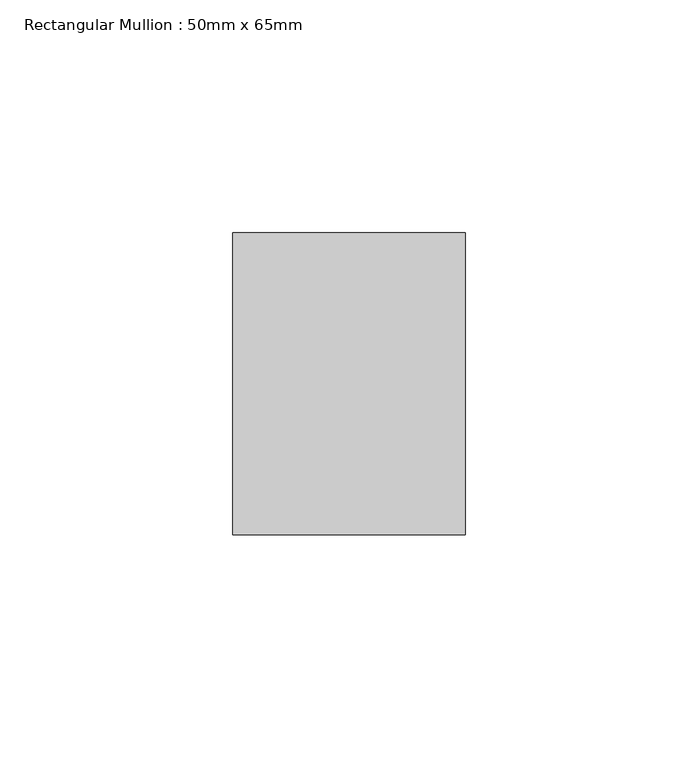
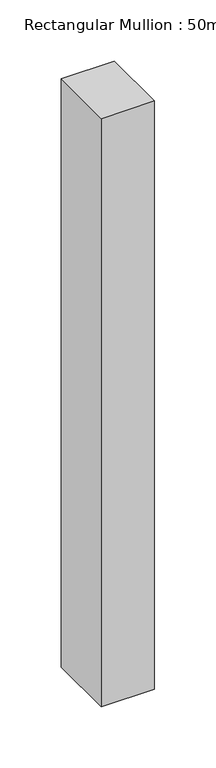
"""IFC4 building model written with IfcOpenShell, lengths in millimetres: member geometry, Rectangular Mullion : 50mm x 65mm."""

import ifcopenshell
import ifcopenshell.guid

model = None  # the IFC model being written
_history = None  # IfcOwnerHistory: only IFC2X3 demands one
_inside = {}  # id of a spatial element -> (the spatial element, [elements in it])
_under = {}  # id of a project, library or spatial element -> (it, [spatial elements below it])
_declared = {}  # id of a project -> (the project, [libraries it declares])
_typed = {}  # id of a type object -> (the type object, [elements of that type])
_made_of = {}  # id of a material, layer set ... -> (it, [elements and type objects made of it])


def new_model(schema):
    """Start an empty IFC model of exactly this schema.

    Asked for "IFC4X3", IfcOpenShell would pick the latest addendum, in which some entities
    have other attributes; the version numbers below select the first issue.
    IFC2X3 requires an IfcOwnerHistory on every rooted entity: one is made here for all.
    """
    global model, _history
    if schema == "IFC4X3":
        model = ifcopenshell.file(schema_version=(4, 3, 0, 0))
    else:
        model = ifcopenshell.file(schema=schema)
    _inside.clear()
    _under.clear()
    _declared.clear()
    _typed.clear()
    _made_of.clear()
    _history = None
    if model.schema == "IFC2X3":
        org = make("IfcOrganization", Name="unknown")
        user = make(
            "IfcPersonAndOrganization",
            ThePerson=make("IfcPerson", FamilyName="unknown"),
            TheOrganization=org,
        )
        app = make(
            "IfcApplication",
            ApplicationDeveloper=org,
            Version="unknown",
            ApplicationFullName="unknown",
            ApplicationIdentifier="unknown",
        )
        _history = make(
            "IfcOwnerHistory",
            OwningUser=user,
            OwningApplication=app,
            ChangeAction="ADDED",
            CreationDate=0,
        )
    return model


def make(cls, **values):
    """One entity of the class cls with the attributes given. An attribute that is None is left unset."""
    return model.create_entity(
        cls, **{name: value for name, value in values.items() if value is not None}
    )


def rooted(cls, **values):
    """An entity with a GlobalId (a new one), such as an element, a storey or a relation."""
    return make(cls, GlobalId=ifcopenshell.guid.new(), OwnerHistory=_history, **values)


def si_unit(unit_type, name, prefix=None):
    """IfcSIUnit, for example si_unit("LENGTHUNIT", "METRE", prefix="MILLI")."""
    return make("IfcSIUnit", UnitType=unit_type, Prefix=prefix, Name=name)


def assignment(units):
    """IfcUnitAssignment: the units of a project."""
    return None if units is None else make("IfcUnitAssignment", Units=units)


def point(xyz):
    """IfcCartesianPoint."""
    return None if xyz is None else make("IfcCartesianPoint", Coordinates=xyz)


def direction(xyz):
    """IfcDirection."""
    return None if xyz is None else make("IfcDirection", DirectionRatios=xyz)


def frame(location, z_axis=None, x_axis=None):
    """IfcAxis2Placement3D, a coordinate frame: its origin and axes. An axis left out is left unset."""
    return make(
        "IfcAxis2Placement3D",
        Location=point(location),
        Axis=direction(z_axis),
        RefDirection=direction(x_axis),
    )


def origin():
    """The frame at (0, 0, 0) with its axes left unset."""
    return frame((0.0, 0.0, 0.0))


def place(relative_to, where):
    """IfcLocalPlacement: puts the frame where relative to a parent placement (None: the world)."""
    return make(
        "IfcLocalPlacement", PlacementRelTo=relative_to, RelativePlacement=where
    )


def context(
    kind, dimensions, precision=None, world=None, true_north=None, identifier=None
):
    """IfcGeometricRepresentationContext, for example the 3D "Model" context."""
    return make(
        "IfcGeometricRepresentationContext",
        ContextIdentifier=identifier,
        ContextType=kind,
        CoordinateSpaceDimension=dimensions,
        Precision=precision,
        WorldCoordinateSystem=world,
        TrueNorth=true_north,
    )


def project(units=None, contexts=None):
    """IfcProject with its units and contexts."""
    return rooted(
        "IfcProject",
        Name="project",
        RepresentationContexts=contexts,
        UnitsInContext=assignment(units),
    )


def spatial(cls, under=None, at=None, **own):
    """A site, building, storey or space (cls), placed at a placement, below another one or the project."""
    s = rooted(cls, ObjectPlacement=at, **own)
    if under is not None:
        _under.setdefault(under.id(), (under, []))[1].append(s)
    return s


def polyline(points):
    """IfcPolyline through the points."""
    return make("IfcPolyline", Points=[point(p) for p in points])


def outline(outer, holes=None, kind="AREA"):
    """IfcArbitraryClosedProfileDef: a profile drawn as a closed curve; with holes, ...WithVoids."""
    if holes is None:
        return make("IfcArbitraryClosedProfileDef", ProfileType=kind, OuterCurve=outer)
    return make(
        "IfcArbitraryProfileDefWithVoids",
        ProfileType=kind,
        OuterCurve=outer,
        InnerCurves=holes,
    )


def extrude(swept, where, along, depth):
    """IfcExtrudedAreaSolid: the profile swept, set in the frame where, extruded along a direction by depth."""
    return make(
        "IfcExtrudedAreaSolid",
        SweptArea=swept,
        Position=where,
        ExtrudedDirection=direction(along),
        Depth=depth,
    )


def shape(context_of_items, identifier, shape_type, items):
    """IfcShapeRepresentation: the items that make up one representation, for example the "Body"."""
    return make(
        "IfcShapeRepresentation",
        ContextOfItems=context_of_items,
        RepresentationIdentifier=identifier,
        RepresentationType=shape_type,
        Items=items,
    )


def source(mapping_origin, context_of_items, identifier, shape_type, items):
    """IfcRepresentationMap: a shape defined once, which mapped items show again and again."""
    return make(
        "IfcRepresentationMap",
        MappingOrigin=mapping_origin,
        MappedRepresentation=shape(context_of_items, identifier, shape_type, items),
    )


def transform(
    local_origin,
    x_axis=None,
    y_axis=None,
    z_axis=None,
    scale=None,
    scale2=None,
    scale3=None,
    uniform=True,
):
    """IfcCartesianTransformationOperator3D, or its non-uniform kind. x_axis, y_axis, z_axis: its Axis1, 2, 3."""
    if uniform:
        return make(
            "IfcCartesianTransformationOperator3D",
            Axis1=direction(x_axis),
            Axis2=direction(y_axis),
            LocalOrigin=point(local_origin),
            Scale=scale,
            Axis3=direction(z_axis),
        )
    return make(
        "IfcCartesianTransformationOperator3DnonUniform",
        Axis1=direction(x_axis),
        Axis2=direction(y_axis),
        LocalOrigin=point(local_origin),
        Scale=scale,
        Axis3=direction(z_axis),
        Scale2=scale2,
        Scale3=scale3,
    )


def mapped(mapping_source, mapping_target):
    """IfcMappedItem: shows the shape of a source again, moved by a transform."""
    return make(
        "IfcMappedItem", MappingSource=mapping_source, MappingTarget=mapping_target
    )


def made_of(thing, what):
    """Note that an element or type object is made of a material, layer set ...; save() writes the relation."""
    if what is not None:
        _made_of.setdefault(what.id(), (what, []))[1].append(thing)
    return thing


def element(
    cls,
    number,
    at=None,
    inside=None,
    cuts=None,
    type_object=None,
    material=None,
    context=None,
    identifier="Body",
    shape_type=None,
    held_by="IfcProductDefinitionShape",
    body=None,
    shapes=None,
    **own,
):
    """One element of the class cls, such as IfcWall. Its Tag is "e" and its number.

    at: its placement. inside: the storey or other place that contains it. cuts: it is an
    opening in that element (IfcRelVoidsElement). A single representation is given by context,
    identifier, shape_type and body (its items); several are given by shapes. held_by: the class
    of the entity that holds the representations. save() writes the other relations.
    """
    e = rooted(cls, Tag="e%d" % number, ObjectPlacement=at, **own)
    if body is not None:
        shapes = [shape(context, identifier, shape_type, body)]
    if shapes is not None:
        e.Representation = make(held_by, Representations=shapes)
    if inside is not None:
        _inside.setdefault(inside.id(), (inside, []))[1].append(e)
    if cuts is not None:
        rooted(
            "IfcRelVoidsElement", RelatingBuildingElement=cuts, RelatedOpeningElement=e
        )
    if type_object is not None:
        _typed.setdefault(type_object.id(), (type_object, []))[1].append(e)
    return made_of(e, material)


def aggregate(whole, parts):
    """IfcRelAggregates: a whole, such as a stair, and the parts it consists of."""
    return rooted("IfcRelAggregates", RelatingObject=whole, RelatedObjects=parts)


def save(model, path):
    """Write the relations noted so far, then the file.

    IfcRelAggregates (storeys below a building ...), IfcRelContainedInSpatialStructure (elements
    in a storey), IfcRelDefinesByType, IfcRelAssociatesMaterial and IfcRelDeclares: one each for
    every whole, place, type object, material and project.
    """
    for whole, parts in _under.values():
        aggregate(whole, parts)
    for where, things in _inside.values():
        rooted(
            "IfcRelContainedInSpatialStructure",
            RelatedElements=things,
            RelatingStructure=where,
        )
    for kind, things in _typed.values():
        rooted("IfcRelDefinesByType", RelatedObjects=things, RelatingType=kind)
    for what, things in _made_of.values():
        rooted("IfcRelAssociatesMaterial", RelatedObjects=things, RelatingMaterial=what)
    for by, libraries in _declared.values():
        rooted("IfcRelDeclares", RelatingContext=by, RelatedDefinitions=libraries)
    model.write(path)


def rectangular_mullion_50mm_x_65mm_7ade1c79(model_context):
    return source(origin(), model_context, "Body", "SweptSolid", [
        extrude(outline(polyline([(25.0, 32.5), (25.0, -32.5), (-25.0, -32.5), (-25.0, 32.5), (25.0, 32.5)])), frame((0.0, 0.0, -585.2035477), z_axis=(0.0, 0.0, 1.0), x_axis=(1.0, 0.0, 0.0)), (0.0, 0.0, 1.0), 585.2035477),
    ])


if __name__ == "__main__":
    model = new_model("IFC4")
    model_context = context("Model", 3, world=origin())
    ifc_project = project(units=[si_unit("LENGTHUNIT", "METRE", prefix="MILLI")], contexts=[model_context])
    site = spatial("IfcSite", under=ifc_project)
    building = spatial("IfcBuilding", under=site)
    placement = place(None, origin())
    rectangular_mullion_50mm_x_65mm_shape = rectangular_mullion_50mm_x_65mm_7ade1c79(model_context)
    element("IfcMember", 1, ObjectType="Rectangular Mullion : 50mm x 65mm", at=placement, inside=building, context=model_context, shape_type="MappedRepresentation", body=[
        mapped(rectangular_mullion_50mm_x_65mm_shape, transform((0.0, 0.0, 0.0), x_axis=(1.0, 0.0, 0.0), y_axis=(0.0, 1.0, 0.0), z_axis=(0.0, 0.0, 1.0))),
    ])
    save(model, "model.ifc")
